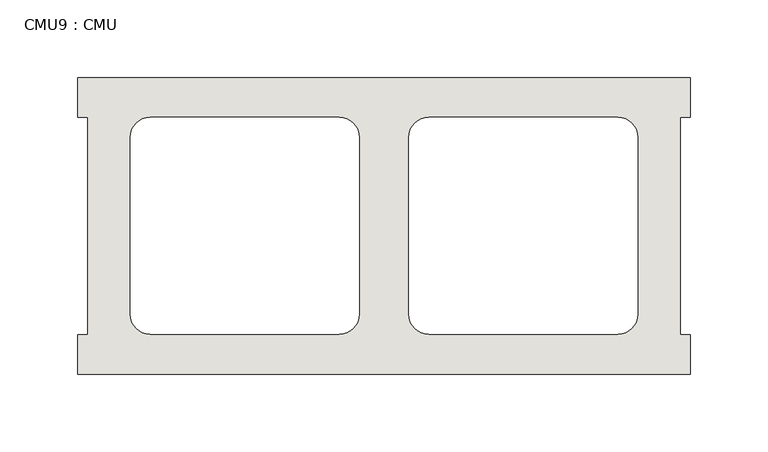
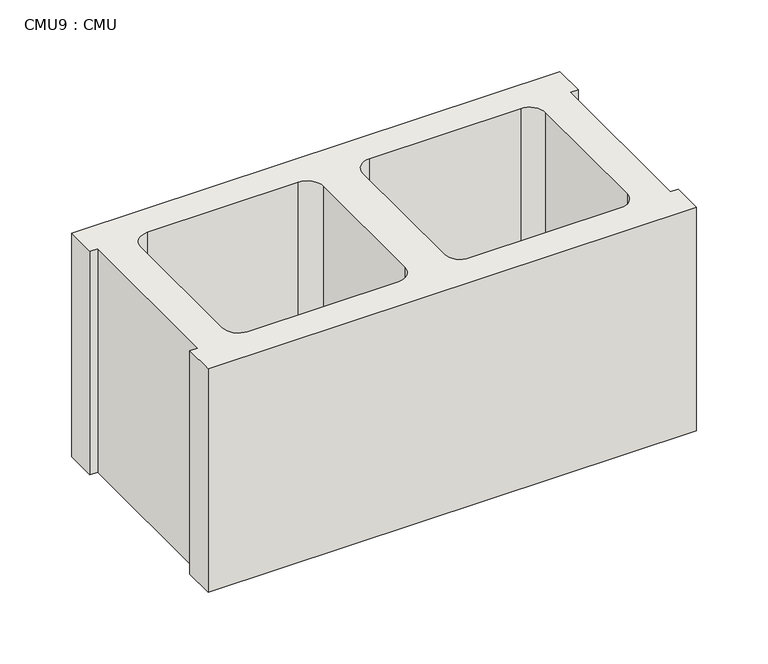
"""IFC4 building model written with IfcOpenShell, lengths in millimetres: wall geometry, CMU9 : CMU."""

from ifc_helpers import new_model, si_unit, point, frame, frame_2d, origin, place, context, project, spatial, polyline, circle_curve, trimmed, segment, composite_curve, outline, extrude, source, transform, mapped, element, save


def cmu9_cmu_35237451(model_context):
    return source(origin(), model_context, "Body", "SweptSolid", [
        extrude(outline(polyline([(-341.4397938, 2484.2276522), (52.2602062, 2484.2276522), (52.2602062, 2458.8276522), (45.9102062, 2458.8276522), (45.9102062, 2319.1276522), (52.2602062, 2319.1276522), (52.2602062, 2293.7276522), (-341.4397938, 2293.7276522), (-341.4397938, 2319.1276522), (-335.0897938, 2319.1276522), (-335.0897938, 2458.8276522), (-341.4397938, 2458.8276522), (-341.4397938, 2484.2276522)]), holes=[composite_curve([segment(polyline([(-173.2717951, 2458.8276522), (-294.9884452, 2458.8276522)]), True, "CONTINUOUS"), segment(trimmed(circle_curve(frame_2d((-294.9884452, 2446.1276522)), 12.7), [point((-294.9884452, 2458.8276522))], [point((-307.6884452, 2446.1276522))], True, "CARTESIAN"), True, "CONTINUOUS"), segment(polyline([(-307.6884452, 2446.1276522), (-307.6884452, 2332.0618125)]), True, "CONTINUOUS"), segment(trimmed(circle_curve(frame_2d((-294.9884452, 2332.0618125)), 12.7), [point((-307.6884452, 2332.0618125))], [point((-294.9884452, 2319.3618125))], True, "CARTESIAN"), True, "CONTINUOUS"), segment(polyline([(-294.9884452, 2319.3618125), (-173.2717951, 2319.3618125)]), True, "CONTINUOUS"), segment(trimmed(circle_curve(frame_2d((-173.2717951, 2332.0618125)), 12.7), [point((-173.2717951, 2319.3618125))], [point((-160.5717951, 2332.0618125))], True, "CARTESIAN"), True, "CONTINUOUS"), segment(polyline([(-160.5717951, 2332.0618125), (-160.5717951, 2446.1276522)]), True, "CONTINUOUS"), segment(trimmed(circle_curve(frame_2d((-173.2717951, 2446.1276522)), 12.7), [point((-160.5717951, 2446.1276522))], [point((-173.2717951, 2458.8276522))], True, "CARTESIAN"), True, "CONTINUOUS")], self_intersect=False), composite_curve([segment(trimmed(circle_curve(frame_2d((-115.9077925, 2446.1276522)), 12.7), [point((-115.9077925, 2458.8276522))], [point((-128.6077925, 2446.1276522))], True, "CARTESIAN"), True, "CONTINUOUS"), segment(polyline([(-128.6077925, 2446.1276522), (-128.6077925, 2332.0618125)]), True, "CONTINUOUS"), segment(trimmed(circle_curve(frame_2d((-115.9077925, 2332.0618125)), 12.7), [point((-128.6077925, 2332.0618125))], [point((-115.9077925, 2319.3618125))], True, "CARTESIAN"), True, "CONTINUOUS"), segment(polyline([(-115.9077925, 2319.3618125), (5.8088576, 2319.3618125)]), True, "CONTINUOUS"), segment(trimmed(circle_curve(frame_2d((5.8088576, 2332.0618125)), 12.7), [point((5.8088576, 2319.3618125))], [point((18.5088576, 2332.0618125))], True, "CARTESIAN"), True, "CONTINUOUS"), segment(polyline([(18.5088576, 2332.0618125), (18.5088576, 2446.1276522)]), True, "CONTINUOUS"), segment(trimmed(circle_curve(frame_2d((5.8088576, 2446.1276522)), 12.7), [point((18.5088576, 2446.1276522))], [point((5.8088576, 2458.8276522))], True, "CARTESIAN"), True, "CONTINUOUS"), segment(polyline([(5.8088576, 2458.8276522), (-115.9077925, 2458.8276522)]), True, "CONTINUOUS")], self_intersect=False)]), frame((0.0, 0.0, 520.7), z_axis=(0.0, 0.0, 1.0), x_axis=(1.0, 0.0, 0.0)), (0.0, 0.0, 1.0), 190.5),
    ])


if __name__ == "__main__":
    model = new_model("IFC4")
    model_context = context("Model", 3, world=origin())
    ifc_project = project(units=[si_unit("LENGTHUNIT", "METRE", prefix="MILLI")], contexts=[model_context])
    site = spatial("IfcSite", under=ifc_project)
    building = spatial("IfcBuilding", under=site)
    placement = place(None, origin())
    cmu9_cmu_shape = cmu9_cmu_35237451(model_context)
    element("IfcWall", 1, ObjectType="CMU9 : CMU", at=placement, inside=building, context=model_context, shape_type="MappedRepresentation", body=[
        mapped(cmu9_cmu_shape, transform((0.0, 0.0, 0.0), x_axis=(1.0, 0.0, 0.0), y_axis=(0.0, 1.0, 0.0), z_axis=(0.0, 0.0, 1.0))),
    ])
    save(model, "model.ifc")
